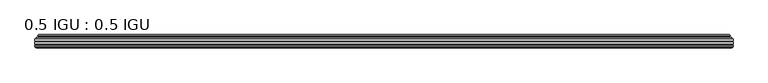
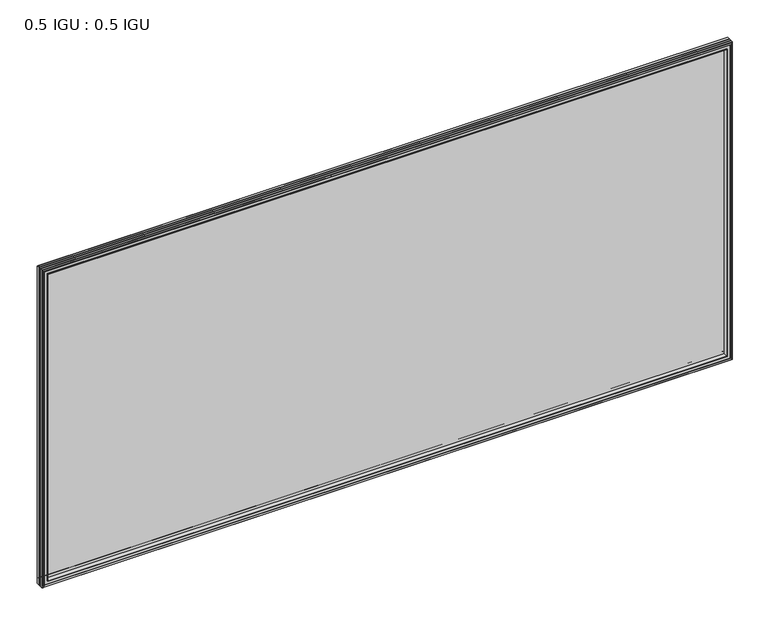
"""IFC4 building model written with IfcOpenShell, lengths in millimetres: plate geometry, 0.5 IGU : 0.5 IGU."""

from ifc_helpers import new_model, si_unit, frame, origin, place, context, project, spatial, polyline, ellipse_curve, outline, extrude, faceted_brep, source, transform, mapped, element, save
from ifc_brep_helpers import plane_surface, cylinder_surface, revolved_surface, advanced_brep


def plate_0_5_igu_0_5_igu_27b0ad8e(model_context):
    return source(origin(), model_context, "Body", "SolidModel", [
        extrude(outline(polyline([(896.951675, -55.82285), (896.951675, -61.48705), (-896.9375, -61.48705), (-896.9375, -55.82285), (896.951675, -55.82285)])), frame((0.0, 0.0, -14.2875), z_axis=(0.0, 0.0, 1.0), x_axis=(1.0, 0.0, 0.0)), (0.0, 0.0, 1.0), 873.1287979),
        extrude(outline(polyline([(-896.9375, -69.05625), (-896.9375, -63.39205), (896.951675, -63.39205), (896.951675, -69.05625), (-896.9375, -69.05625)])), frame((0.0, 0.0, -14.2875), z_axis=(0.0, 0.0, 1.0), x_axis=(1.0, 0.0, 0.0)), (0.0, 0.0, 1.0), 873.1287979),
        advanced_brep(
        [(-892.8349626, -54.3724927, 854.7349626), (-891.7904378, -51.60645, 853.6904378), (-891.7904378, -51.60645, -9.1404378), (-892.8349626, -54.3724927, -10.1849626), (-891.198517, -55.82285, 853.098517), (-891.198517, -55.82285, -8.548517), (-882.65, -45.63745, 844.55), (-879.0672761, -55.82285, 840.9672761), (-879.0672761, -55.82285, 3.5827239), (-882.65, -45.63745, 0.0), (-887.8359109, -46.8185491, 849.7359109), (-887.8359109, -46.8185491, -5.1859109), (-887.0388893, -44.8183085, 848.9388893), (-887.0388893, -44.8183085, -4.3888893), (-889.3226111, -47.135817, 851.2226111), (-889.3226111, -47.135817, -6.6726111), (-889.3226111, -47.8489429, 851.2226111), (-889.3226111, -47.8489429, -6.6726111), (-887.0388893, -50.1664515, 848.9388893), (-887.0388893, -50.1664515, -4.3888893), (-887.8282501, -48.1854367, 849.7282501), (-887.8282501, -48.1854367, -5.1782501), (-885.3044379, -48.027045, 847.2044379), (-885.3044379, -48.027045, -2.6544379), (-884.2786217, -48.7147544, 846.1786217), (-884.2786217, -48.7147544, -1.6286217), (-884.3970288, -50.1092231, 846.2970288), (-884.3970288, -50.1092231, -1.7470288), (-884.9987748, -51.60645, 846.8987748), (-884.9987748, -51.60645, -2.3487748), (891.7904378, -51.60645, -9.1404378), (892.8349626, -54.3724927, -10.1849626), (891.198517, -55.82285, -8.548517), (879.0672761, -55.82285, 3.5827239), (882.65, -45.63745, 0.0), (887.8359109, -46.8185491, -5.1859109), (887.0388893, -44.8183085, -4.3888893), (889.3226111, -47.135817, -6.6726111), (889.3226111, -47.8489429, -6.6726111), (887.0388893, -50.1664515, -4.3888893), (887.8282501, -48.1854367, -5.1782501), (885.3044379, -48.027045, -2.6544379), (884.2786217, -48.7147544, -1.6286217), (884.3970288, -50.1092231, -1.7470288), (884.9987748, -51.60645, -2.3487748), (891.7904378, -51.60645, 853.6904378), (892.8349626, -54.3724927, 854.7349626), (891.198517, -55.82285, 853.098517), (879.0672761, -55.82285, 840.9672761), (882.65, -45.63745, 844.55), (887.8359109, -46.8185491, 849.7359109), (887.0388893, -44.8183085, 848.9388893), (889.3226111, -47.135817, 851.2226111), (889.3226111, -47.8489429, 851.2226111), (887.0388893, -50.1664515, 848.9388893), (887.8282501, -48.1854367, 849.7282501), (885.3044379, -48.027045, 847.2044379), (884.2786217, -48.7147544, 846.1786217), (884.3970288, -50.1092231, 846.2970288), (884.9987748, -51.60645, 846.8987748)],
        [
            (0, 1, ellipse_curve(frame((-891.7820703, -53.1898501, 853.6820703), z_axis=(-0.7071067811865475, 0.0, -0.7071067811865475), x_axis=(-0.7071067811865474, 0.0, 0.7071067811865476)), 2.2392971, 1.5834222)),
            (1, 2),
            (2, 3, ellipse_curve(frame((-891.7820703, -53.1898501, -9.1320703), z_axis=(-0.7071067811865475, 0.0, 0.7071067811865475), x_axis=(0.7071067811865474, 0.0, 0.7071067811865476)), 2.2392971, 1.5834222)),
            (3, 0),
            (4, 0),
            (3, 5),
            (5, 4),
            (6, 7, ellipse_curve(frame((-850.370246, -40.0058297, 812.270246), z_axis=(0.7071067811865475, 0.0, 0.7071067811865475), x_axis=(0.7071067811865474, 0.0, -0.7071067811865476)), 46.3399971, 32.7673262)),
            (7, 8),
            (8, 9, ellipse_curve(frame((-850.370246, -40.0058297, 32.279754), z_axis=(0.7071067811865475, 0.0, -0.7071067811865475), x_axis=(-0.7071067811865474, 0.0, -0.7071067811865476)), 46.3399971, 32.7673262)),
            (9, 6),
            (10, 6),
            (9, 11),
            (11, 10),
            (12, 10),
            (11, 13),
            (13, 12),
            (14, 12),
            (13, 15),
            (15, 14),
            (16, 14, ellipse_curve(frame((-888.9607729, -47.49238, 850.8607729), z_axis=(-0.7071067811865475, 0.0, -0.7071067811865475), x_axis=(-0.7071067811865474, 0.0, 0.7071067811865476)), 0.7184205, 0.508)),
            (15, 17, ellipse_curve(frame((-888.9607729, -47.49238, -6.3107729), z_axis=(-0.7071067811865475, 0.0, 0.7071067811865475), x_axis=(0.7071067811865474, 0.0, 0.7071067811865476)), 0.7184205, 0.508)),
            (17, 16),
            (18, 16),
            (17, 19),
            (19, 18),
            (20, 18),
            (19, 21),
            (21, 20),
            (22, 20),
            (21, 23),
            (23, 22),
            (24, 22, ellipse_curve(frame((-885.2408, -49.04105, 847.1408), z_axis=(0.7071067811865475, 0.0, 0.7071067811865475), x_axis=(0.7071067811865474, 0.0, -0.7071067811865476)), 1.436841, 1.016)),
            (23, 25, ellipse_curve(frame((-885.2408, -49.04105, -2.5908), z_axis=(0.7071067811865475, 0.0, -0.7071067811865475), x_axis=(-0.7071067811865474, 0.0, -0.7071067811865476)), 1.436841, 1.016)),
            (25, 24),
            (26, 24, ellipse_curve(frame((-886.6124, -49.21885, 848.5124), z_axis=(0.7071067811865475, 0.0, 0.7071067811865475), x_axis=(0.7071067811865474, 0.0, -0.7071067811865476)), 3.3765763, 2.3876)),
            (25, 27, ellipse_curve(frame((-886.6124, -49.21885, -3.9624), z_axis=(0.7071067811865475, 0.0, -0.7071067811865475), x_axis=(-0.7071067811865474, 0.0, -0.7071067811865476)), 3.3765763, 2.3876)),
            (27, 26),
            (28, 26),
            (27, 29),
            (29, 28),
            (2, 30),
            (30, 31, ellipse_curve(frame((891.7820703, -53.1898501, -9.1320703), z_axis=(-0.7071067811865475, 0.0, -0.7071067811865475), x_axis=(-0.7071067811865476, 0.0, 0.7071067811865474)), 2.2392971, 1.5834222)),
            (31, 3),
            (31, 32),
            (32, 5),
            (8, 33),
            (33, 34, ellipse_curve(frame((850.370246, -40.0058297, 32.279754), z_axis=(0.7071067811865475, 0.0, 0.7071067811865475), x_axis=(0.7071067811865476, 0.0, -0.7071067811865474)), 46.3399971, 32.7673262)),
            (34, 9),
            (34, 35),
            (35, 11),
            (35, 36),
            (36, 13),
            (36, 37),
            (37, 15),
            (37, 38, ellipse_curve(frame((888.9607729, -47.49238, -6.3107729), z_axis=(-0.7071067811865475, 0.0, -0.7071067811865475), x_axis=(-0.7071067811865476, 0.0, 0.7071067811865474)), 0.7184205, 0.508)),
            (38, 17),
            (38, 39),
            (39, 19),
            (39, 40),
            (40, 21),
            (40, 41),
            (41, 23),
            (41, 42, ellipse_curve(frame((885.2408, -49.04105, -2.5908), z_axis=(0.7071067811865475, 0.0, 0.7071067811865475), x_axis=(0.7071067811865476, 0.0, -0.7071067811865474)), 1.436841, 1.016)),
            (42, 25),
            (42, 43, ellipse_curve(frame((886.6124, -49.21885, -3.9624), z_axis=(0.7071067811865475, 0.0, 0.7071067811865475), x_axis=(0.7071067811865476, 0.0, -0.7071067811865474)), 3.3765763, 2.3876)),
            (43, 27),
            (43, 44),
            (44, 29),
            (30, 45),
            (45, 46, ellipse_curve(frame((891.7820703, -53.1898501, 853.6820703), z_axis=(0.7071067811865475, 0.0, -0.7071067811865475), x_axis=(-0.7071067811865474, 0.0, -0.7071067811865476)), 2.2392971, 1.5834222)),
            (46, 31),
            (46, 47),
            (47, 32),
            (33, 48),
            (48, 49, ellipse_curve(frame((850.370246, -40.0058297, 812.270246), z_axis=(-0.7071067811865475, 0.0, 0.7071067811865475), x_axis=(0.7071067811865474, 0.0, 0.7071067811865476)), 46.3399971, 32.7673262)),
            (49, 34),
            (49, 50),
            (50, 35),
            (50, 51),
            (51, 36),
            (51, 52),
            (52, 37),
            (52, 53, ellipse_curve(frame((888.9607729, -47.49238, 850.8607729), z_axis=(0.7071067811865475, 0.0, -0.7071067811865475), x_axis=(-0.7071067811865474, 0.0, -0.7071067811865476)), 0.7184205, 0.508)),
            (53, 38),
            (53, 54),
            (54, 39),
            (54, 55),
            (55, 40),
            (55, 56),
            (56, 41),
            (56, 57, ellipse_curve(frame((885.2408, -49.04105, 847.1408), z_axis=(-0.7071067811865475, 0.0, 0.7071067811865475), x_axis=(0.7071067811865474, 0.0, 0.7071067811865476)), 1.436841, 1.016)),
            (57, 42),
            (57, 58, ellipse_curve(frame((886.6124, -49.21885, 848.5124), z_axis=(-0.7071067811865475, 0.0, 0.7071067811865475), x_axis=(0.7071067811865474, 0.0, 0.7071067811865476)), 3.3765763, 2.3876)),
            (58, 43),
            (58, 59),
            (59, 44),
            (45, 1),
            (0, 46),
            (4, 47),
            (7, 48),
            (6, 49),
            (10, 50),
            (12, 51),
            (14, 52),
            (16, 53),
            (18, 54),
            (20, 55),
            (22, 56),
            (24, 57),
            (26, 58),
            (28, 59),
        ],
        [
            cylinder_surface(frame((-891.7820703, -53.1898501, 876.3), z_axis=(0.0, 0.0, 1.0), x_axis=(-1.0, 0.0, 0.0)), 1.5834222),
            plane_surface(frame((-892.8349626, -54.3724927, 854.7349626), z_axis=(-0.6632745773184306, -0.7483761320907135, 0.0), x_axis=(0.0, 0.0, -1.0))),
            revolved_surface(polyline([(-883.1375721999999, -40.0058297, -0.48757218957496207), (-883.1375721999999, -40.0058297, 845.037572189575)]), (-850.370246, -40.0058297, 876.3), (0.0, 0.0, -1.0)),
            plane_surface(frame((-882.65, -45.63745, 844.55), z_axis=(-0.2220649844278743, 0.975031867525902, 0.0), x_axis=(0.0, 0.0, -1.0))),
            plane_surface(frame((-887.8359109, -46.8185491, 849.7359109), z_axis=(0.928968268563027, -0.37015936568323066, 0.0), x_axis=(0.0, 0.0, -1.0))),
            plane_surface(frame((-887.0388893, -44.8183085, 848.9388893), z_axis=(-0.7122798501733482, 0.7018955869907096, 0.0), x_axis=(0.0, 0.0, -1.0))),
            cylinder_surface(frame((-888.9607729, -47.49238, 876.3), z_axis=(0.0, 0.0, 1.0), x_axis=(-1.0, 0.0, 0.0)), 0.508),
            plane_surface(frame((-889.3226111, -47.8489429, 851.2226111), z_axis=(-0.7122798501732925, -0.701895586990766, 0.0), x_axis=(0.0, 0.0, -1.0))),
            plane_surface(frame((-887.0388893, -50.1664515, 848.9388893), z_axis=(0.9289682685628707, 0.3701593656836228, 0.0), x_axis=(0.0, 0.0, -1.0))),
            plane_surface(frame((-887.8282501, -48.1854367, 849.7282501), z_axis=(0.0626357011928498, -0.9980364567169279, 0.0), x_axis=(0.0, 0.0, -1.0))),
            revolved_surface(polyline([(-886.2568, -49.04105, -3.606800014586838), (-886.2568, -49.04105, 848.1568000145869)]), (-885.2408, -49.04105, 876.3), (0.0, 0.0, -1.0)),
            revolved_surface(polyline([(-889.0, -49.21885, -6.3499999989237494), (-889.0, -49.21885, 850.8999999989237)]), (-886.6124, -49.21885, 876.3), (0.0, 0.0, -1.0)),
            plane_surface(frame((-884.3970288, -50.1092231, 846.2970288), z_axis=(-0.9278652925428184, 0.3729155385532094, 0.0), x_axis=(0.0, 0.0, -1.0))),
            cylinder_surface(frame((-914.4, -53.1898501, -9.1320703), z_axis=(-1.0, 0.0, 0.0), x_axis=(0.0, 0.0, -1.0)), 1.5834222),
            plane_surface(frame((-892.8349626, -54.3724927, -10.1849626), z_axis=(0.0, -0.7483761320907157, -0.6632745773184283), x_axis=(1.0, 0.0, 0.0))),
            revolved_surface(polyline([(883.137572189575, -40.0058297, -0.48757220000000245), (-883.1375721895749, -40.0058297, -0.48757220000000245)]), (-914.4, -40.0058297, 32.279754), (1.0, 0.0, 0.0)),
            plane_surface(frame((-882.65, -45.63745, 0.0), z_axis=(0.0, 0.9750318675259013, -0.22206498442787745), x_axis=(1.0, 0.0, 0.0))),
            plane_surface(frame((-887.8359109, -46.8185491, -5.1859109), z_axis=(0.0, -0.37015936568322766, 0.9289682685630283), x_axis=(1.0, 0.0, 0.0))),
            plane_surface(frame((-887.0388893, -44.8183085, -4.3888893), z_axis=(0.0, 0.7018955869907073, -0.7122798501733504), x_axis=(1.0, 0.0, 0.0))),
            cylinder_surface(frame((-914.4, -47.49238, -6.3107729), z_axis=(-1.0, 0.0, 0.0), x_axis=(0.0, 0.0, -1.0)), 0.508),
            plane_surface(frame((-889.3226111, -47.8489429, -6.6726111), z_axis=(0.0, -0.7018955869907684, -0.7122798501732903), x_axis=(1.0, 0.0, 0.0))),
            plane_surface(frame((-887.0388893, -50.1664515, -4.3888893), z_axis=(0.0, 0.37015936568362584, 0.9289682685628696), x_axis=(1.0, 0.0, 0.0))),
            plane_surface(frame((-887.8282501, -48.1854367, -5.1782501), z_axis=(0.0, -0.9980364567169276, 0.06263570119285301), x_axis=(1.0, 0.0, 0.0))),
            revolved_surface(polyline([(886.2568000145869, -49.04105, -3.6068000000000002), (-886.2568000145869, -49.04105, -3.6068000000000002)]), (-914.4, -49.04105, -2.5908), (1.0, 0.0, 0.0)),
            revolved_surface(polyline([(888.999999998924, -49.21885, -6.35), (-888.9999999989237, -49.21885, -6.35)]), (-914.4, -49.21885, -3.9624), (1.0, 0.0, 0.0)),
            plane_surface(frame((-884.3970288, -50.1092231, -1.7470288), z_axis=(0.0, 0.3729155385532064, -0.9278652925428196), x_axis=(1.0, 0.0, 0.0))),
            cylinder_surface(frame((891.7820703, -53.1898501, -31.75), z_axis=(0.0, 0.0, -1.0), x_axis=(1.0, 0.0, 0.0)), 1.5834222),
            plane_surface(frame((892.8349626, -54.3724927, -10.1849626), z_axis=(0.6632745773184259, -0.7483761320907178, 0.0), x_axis=(0.0, 0.0, 1.0))),
            revolved_surface(polyline([(883.1375721999999, -40.0058297, 845.037572189575), (883.1375721999999, -40.0058297, -0.48757218957494075)]), (850.370246, -40.0058297, -31.75), (0.0, 0.0, 1.0)),
            plane_surface(frame((882.65, -45.63745, 0.0), z_axis=(0.22206498442788056, 0.9750318675259005, 0.0), x_axis=(0.0, 0.0, 1.0))),
            plane_surface(frame((887.8359109, -46.8185491, -5.1859109), z_axis=(-0.9289682685630295, -0.37015936568322466, 0.0), x_axis=(0.0, 0.0, 1.0))),
            plane_surface(frame((887.0388893, -44.8183085, -4.3888893), z_axis=(0.7122798501733526, 0.701895586990705, 0.0), x_axis=(0.0, 0.0, 1.0))),
            cylinder_surface(frame((888.9607729, -47.49238, -31.75), z_axis=(0.0, 0.0, -1.0), x_axis=(1.0, 0.0, 0.0)), 0.508),
            plane_surface(frame((889.3226111, -47.8489429, -6.6726111), z_axis=(0.712279850173288, -0.7018955869907706, 0.0), x_axis=(0.0, 0.0, 1.0))),
            plane_surface(frame((887.0388893, -50.1664515, -4.3888893), z_axis=(-0.9289682685628684, 0.37015936568362884, 0.0), x_axis=(0.0, 0.0, 1.0))),
            plane_surface(frame((887.8282501, -48.1854367, -5.1782501), z_axis=(-0.06263570119285623, -0.9980364567169274, 0.0), x_axis=(0.0, 0.0, 1.0))),
            revolved_surface(polyline([(886.2568, -49.04105, 848.1568000145869), (886.2568, -49.04105, -3.606800014586863)]), (885.2408, -49.04105, -31.75), (0.0, 0.0, 1.0)),
            revolved_surface(polyline([(889.0, -49.21885, 850.8999999989237), (889.0, -49.21885, -6.349999998923781)]), (886.6124, -49.21885, -31.75), (0.0, 0.0, 1.0)),
            plane_surface(frame((884.3970288, -50.1092231, -1.7470288), z_axis=(0.9278652925428208, 0.3729155385532034, 0.0), x_axis=(0.0, 0.0, 1.0))),
            cylinder_surface(frame((914.4, -53.1898501, 853.6820703), z_axis=(1.0, 0.0, 0.0), x_axis=(0.0, 0.0, 1.0)), 1.5834222),
            plane_surface(frame((892.8349626, -54.3724927, 854.7349626), z_axis=(0.0, -0.7483761320907157, 0.6632745773184283), x_axis=(-1.0, 0.0, 0.0))),
            plane_surface(frame((891.198517, -55.82285, 853.098517), z_axis=(0.0, -1.0, 0.0), x_axis=(-1.0, 0.0, 0.0))),
            revolved_surface(polyline([(-883.137572189575, -40.0058297, 845.0375722), (883.1375721895749, -40.0058297, 845.0375722)]), (914.4, -40.0058297, 812.270246), (-1.0, 0.0, 0.0)),
            plane_surface(frame((882.65, -45.63745, 844.55), z_axis=(0.0, 0.9750318675259012, 0.22206498442787742), x_axis=(-1.0, 0.0, 0.0))),
            plane_surface(frame((887.8359109, -46.8185491, 849.7359109), z_axis=(0.0, -0.37015936568322766, -0.9289682685630283), x_axis=(-1.0, 0.0, 0.0))),
            plane_surface(frame((887.0388893, -44.8183085, 848.9388893), z_axis=(0.0, 0.7018955869907073, 0.7122798501733504), x_axis=(-1.0, 0.0, 0.0))),
            cylinder_surface(frame((914.4, -47.49238, 850.8607729), z_axis=(1.0, 0.0, 0.0), x_axis=(0.0, 0.0, 1.0)), 0.508),
            plane_surface(frame((889.3226111, -47.8489429, 851.2226111), z_axis=(0.0, -0.7018955869907684, 0.7122798501732903), x_axis=(-1.0, 0.0, 0.0))),
            plane_surface(frame((887.0388893, -50.1664515, 848.9388893), z_axis=(0.0, 0.37015936568362584, -0.9289682685628696), x_axis=(-1.0, 0.0, 0.0))),
            plane_surface(frame((887.8282501, -48.1854367, 849.7282501), z_axis=(0.0, -0.9980364567169276, -0.06263570119285301), x_axis=(-1.0, 0.0, 0.0))),
            revolved_surface(polyline([(-886.2568000145869, -49.04105, 848.1568), (886.2568000145869, -49.04105, 848.1568)]), (914.4, -49.04105, 847.1408), (-1.0, 0.0, 0.0)),
            revolved_surface(polyline([(-888.999999998924, -49.21885, 850.9), (888.9999999989237, -49.21885, 850.9)]), (914.4, -49.21885, 848.5124), (-1.0, 0.0, 0.0)),
            plane_surface(frame((884.3970288, -50.1092231, 846.2970288), z_axis=(0.0, 0.3729155385532064, 0.9278652925428196), x_axis=(-1.0, 0.0, 0.0))),
            plane_surface(frame((884.9987748, -51.60645, 846.8987748), z_axis=(0.0, 1.0, 0.0), x_axis=(-1.0, 0.0, 0.0))),
        ],
        [
            (0, [[1, 2, 3, 4]]),
            (1, [[5, -4, 6, 7]]),
            (2, [[8, 9, 10, 11]]),
            (3, [[12, -11, 13, 14]]),
            (4, [[15, -14, 16, 17]]),
            (5, [[18, -17, 19, 20]]),
            (6, [[21, -20, 22, 23]]),
            (7, [[24, -23, 25, 26]]),
            (8, [[27, -26, 28, 29]]),
            (9, [[30, -29, 31, 32]]),
            (10, [[33, -32, 34, 35]]),
            (11, [[36, -35, 37, 38]]),
            (12, [[39, -38, 40, 41]]),
            (13, [[-3, 42, 43, 44]]),
            (14, [[-6, -44, 45, 46]]),
            (15, [[-10, 47, 48, 49]]),
            (16, [[-13, -49, 50, 51]]),
            (17, [[-16, -51, 52, 53]]),
            (18, [[-19, -53, 54, 55]]),
            (19, [[-22, -55, 56, 57]]),
            (20, [[-25, -57, 58, 59]]),
            (21, [[-28, -59, 60, 61]]),
            (22, [[-31, -61, 62, 63]]),
            (23, [[-34, -63, 64, 65]]),
            (24, [[-37, -65, 66, 67]]),
            (25, [[-40, -67, 68, 69]]),
            (26, [[-43, 70, 71, 72]]),
            (27, [[-45, -72, 73, 74]]),
            (28, [[-48, 75, 76, 77]]),
            (29, [[-50, -77, 78, 79]]),
            (30, [[-52, -79, 80, 81]]),
            (31, [[-54, -81, 82, 83]]),
            (32, [[-56, -83, 84, 85]]),
            (33, [[-58, -85, 86, 87]]),
            (34, [[-60, -87, 88, 89]]),
            (35, [[-62, -89, 90, 91]]),
            (36, [[-64, -91, 92, 93]]),
            (37, [[-66, -93, 94, 95]]),
            (38, [[-68, -95, 96, 97]]),
            (39, [[-71, 98, -1, 99]]),
            (40, [[-73, -99, -5, 100]]),
            (41, [[-46, -74, -100, -7], [101, -75, -47, -9]]),
            (42, [[-76, -101, -8, 102]]),
            (43, [[-78, -102, -12, 103]]),
            (44, [[-80, -103, -15, 104]]),
            (45, [[-82, -104, -18, 105]]),
            (46, [[-84, -105, -21, 106]]),
            (47, [[-86, -106, -24, 107]]),
            (48, [[-88, -107, -27, 108]]),
            (49, [[-90, -108, -30, 109]]),
            (50, [[-92, -109, -33, 110]]),
            (51, [[-94, -110, -36, 111]]),
            (52, [[-96, -111, -39, 112]]),
            (53, [[-98, -70, -42, -2], [-69, -97, -112, -41]]),
        ],
    ),
        faceted_brep([(-878.7957827, -69.05625, 840.6957827), (-881.3620798, -77.94625, 843.2620798), (-881.3620798, -77.94625, 1.2879202), (-878.7957827, -69.05625, 3.8542173), (-896.9502, -71.2633102, 858.8502), (-894.7431398, -69.05625, 856.6431398), (-894.7431398, -69.05625, -12.0931398), (-896.9502, -71.2633102, -14.3002), (-896.9502, -75.40625, 858.8502), (-896.9502, -75.40625, -14.3002), (-894.5311775, -76.58989, 856.4311775), (-895.4008, -75.40625, 857.3008), (-895.4008, -75.40625, -12.7508), (-894.5311775, -76.58989, -11.8811775), (-894.334, -77.8875884, 856.234), (-894.334, -77.8875884, -11.684), (-895.30966, -77.3578917, 857.20966), (-895.30966, -77.3578917, -12.65966), (-893.7752, -79.1749663, 855.6752), (-896.1023305, -77.3578917, 858.0023305), (-896.1023305, -77.3578917, -13.4523305), (-893.7752, -79.1749663, -11.1252), (-891.4480695, -77.3578917, 853.3480695), (-891.4480695, -77.3578917, -8.7980695), (-893.2164, -77.8875884, 855.1164), (-892.24074, -77.3578917, 854.14074), (-892.24074, -77.3578917, -9.59074), (-893.2164, -77.8875884, -10.5664), (-893.0192225, -76.58989, 854.9192225), (-893.0192225, -76.58989, -10.3692225), (-892.1496, -75.40625, 854.0496), (-892.1496, -75.40625, -9.4996), (-883.0013667, -77.94625, 844.9013667), (-882.4722, -75.40625, 844.3722), (-882.4722, -75.40625, 0.1778), (-883.0013667, -77.94625, -0.3513667), (881.3620798, -77.94625, 1.2879202), (878.7957827, -69.05625, 3.8542173), (894.7431398, -69.05625, -12.0931398), (896.9502, -71.2633102, -14.3002), (896.9502, -75.40625, -14.3002), (895.4008, -75.40625, -12.7508), (894.5311775, -76.58989, -11.8811775), (894.334, -77.8875884, -11.684), (895.30966, -77.3578917, -12.65966), (896.1023305, -77.3578917, -13.4523305), (893.7752, -79.1749663, -11.1252), (891.4480695, -77.3578917, -8.7980695), (892.24074, -77.3578917, -9.59074), (893.2164, -77.8875884, -10.5664), (893.0192225, -76.58989, -10.3692225), (892.1496, -75.40625, -9.4996), (882.4722, -75.40625, 0.1778), (883.0013667, -77.94625, -0.3513667), (881.3620798, -77.94625, 843.2620798), (878.7957827, -69.05625, 840.6957827), (894.7431398, -69.05625, 856.6431398), (896.9502, -71.2633102, 858.8502), (896.9502, -75.40625, 858.8502), (895.4008, -75.40625, 857.3008), (894.5311775, -76.58989, 856.4311775), (894.334, -77.8875884, 856.234), (895.30966, -77.3578917, 857.20966), (896.1023305, -77.3578917, 858.0023305), (893.7752, -79.1749663, 855.6752), (891.4480695, -77.3578917, 853.3480695), (892.24074, -77.3578917, 854.14074), (893.2164, -77.8875884, 855.1164), (893.0192225, -76.58989, 854.9192225), (892.1496, -75.40625, 854.0496), (882.4722, -75.40625, 844.3722), (883.0013667, -77.94625, 844.9013667)], [[[0, 1, 2, 3]], [[4, 5, 6, 7]], [[8, 4, 7, 9]], [[10, 11, 12, 13]], [[14, 10, 13, 15]], [[16, 14, 15, 17]], [[18, 19, 20, 21]], [[22, 18, 21, 23]], [[24, 25, 26, 27]], [[28, 24, 27, 29]], [[30, 28, 29, 31]], [[32, 33, 34, 35]], [[3, 2, 36, 37]], [[7, 6, 38, 39]], [[9, 7, 39, 40]], [[13, 12, 41, 42]], [[15, 13, 42, 43]], [[17, 15, 43, 44]], [[21, 20, 45, 46]], [[23, 21, 46, 47]], [[27, 26, 48, 49]], [[29, 27, 49, 50]], [[31, 29, 50, 51]], [[35, 34, 52, 53]], [[37, 36, 54, 55]], [[39, 38, 56, 57]], [[40, 39, 57, 58]], [[42, 41, 59, 60]], [[43, 42, 60, 61]], [[44, 43, 61, 62]], [[46, 45, 63, 64]], [[47, 46, 64, 65]], [[49, 48, 66, 67]], [[50, 49, 67, 68]], [[51, 50, 68, 69]], [[53, 52, 70, 71]], [[55, 54, 1, 0]], [[5, 56, 38, 6], [3, 37, 55, 0]], [[57, 56, 5, 4]], [[58, 57, 4, 8]], [[9, 40, 58, 8], [11, 59, 41, 12]], [[60, 59, 11, 10]], [[61, 60, 10, 14]], [[62, 61, 14, 16]], [[19, 63, 45, 20], [17, 44, 62, 16]], [[64, 63, 19, 18]], [[65, 64, 18, 22]], [[25, 66, 48, 26], [23, 47, 65, 22]], [[67, 66, 25, 24]], [[68, 67, 24, 28]], [[69, 68, 28, 30]], [[31, 51, 69, 30], [33, 70, 52, 34]], [[71, 70, 33, 32]], [[35, 53, 71, 32], [1, 54, 36, 2]]]),
    ])


if __name__ == "__main__":
    model = new_model("IFC4")
    model_context = context("Model", 3, world=origin())
    ifc_project = project(units=[si_unit("LENGTHUNIT", "METRE", prefix="MILLI")], contexts=[model_context])
    site = spatial("IfcSite", under=ifc_project)
    building = spatial("IfcBuilding", under=site)
    placement = place(None, origin())
    plate_0_5_igu_0_5_igu_shape = plate_0_5_igu_0_5_igu_27b0ad8e(model_context)
    element("IfcPlate", 1, ObjectType="0.5 IGU : 0.5 IGU", at=placement, inside=building, context=model_context, shape_type="MappedRepresentation", body=[
        mapped(plate_0_5_igu_0_5_igu_shape, transform((0.0, 0.0, 0.0), x_axis=(1.0, 0.0, 0.0), y_axis=(0.0, 1.0, 0.0), z_axis=(0.0, 0.0, 1.0))),
    ])
    save(model, "model.ifc")
